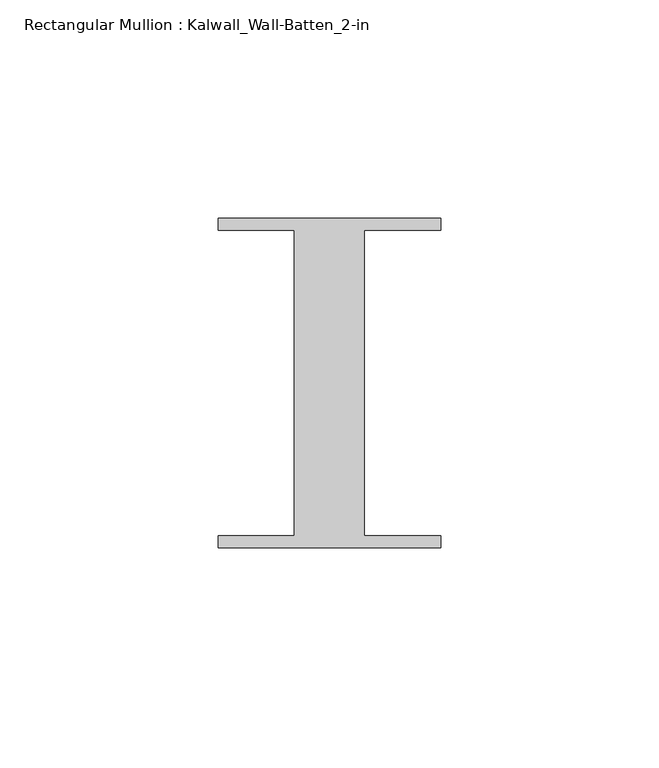
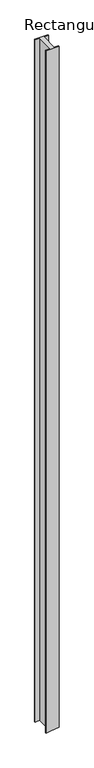
"""IFC4 building model written with IfcOpenShell, lengths in millimetres: member geometry, Rectangular Mullion : Kalwall_Wall-Batten_2-in."""

from ifc_helpers import new_model, si_unit, origin, place, context, project, spatial, faceted_brep, source, transform, mapped, element, save


def rectangular_mullion_kalwall_wall_batten_2_in_1ae46bba(model_context):
    return source(origin(), model_context, "Body", "Brep", [
        faceted_brep([(-25.5, 37.794, 0.0), (-25.5, 35.0, 0.0), (-8.0, 35.0, 0.0), (-8.0, -35.0, 0.0), (-25.5, -35.0, 0.0), (-25.5, -37.794, 0.0), (25.5, -37.794, 0.0), (25.5, -35.0, 0.0), (8.0, -35.0, 0.0), (8.0, 35.0, 0.0), (25.5, 35.0, 0.0), (25.5, 37.794, 0.0), (-25.5, 37.794, -2786.7520435), (-25.5, 35.0, -2786.7520435), (-8.0, 35.0, -2784.7465623), (-8.0, -35.0, -2784.7465623), (-25.5, -35.0, -2786.7520435), (-25.5, -37.794, -2786.7520435), (-5.7837703, -37.794, -2784.4925848), (25.5, -37.794, -2780.9074984), (25.5, -35.0, -2780.9074984), (8.0, -35.0, -2782.9129796), (8.0, 35.0, -2782.9129796), (25.5, 35.0, -2780.9074984), (25.5, 37.794, -2780.9074984), (-5.7837703, 37.794, -2784.4925848)], [[[0, 1, 2, 3, 4, 5, 6, 7, 8, 9, 10, 11]], [[1, 0, 12, 13]], [[2, 1, 13, 14]], [[3, 2, 14, 15]], [[4, 3, 15, 16]], [[5, 4, 16, 17]], [[6, 5, 17, 18, 19]], [[7, 6, 19, 20]], [[8, 7, 20, 21]], [[9, 8, 21, 22]], [[10, 9, 22, 23]], [[11, 10, 23, 24]], [[0, 11, 24, 25, 12]], [[12, 25, 18, 17, 16, 15, 14, 13]], [[25, 24, 23, 22, 21, 20, 19, 18]]]),
    ])


if __name__ == "__main__":
    model = new_model("IFC4")
    model_context = context("Model", 3, world=origin())
    ifc_project = project(units=[si_unit("LENGTHUNIT", "METRE", prefix="MILLI")], contexts=[model_context])
    site = spatial("IfcSite", under=ifc_project)
    building = spatial("IfcBuilding", under=site)
    placement = place(None, origin())
    rectangular_mullion_kalwall_wall_batten_2_in_shape = rectangular_mullion_kalwall_wall_batten_2_in_1ae46bba(model_context)
    element("IfcMember", 1, ObjectType="Rectangular Mullion : Kalwall_Wall-Batten_2-in", at=placement, inside=building, context=model_context, shape_type="MappedRepresentation", body=[
        mapped(rectangular_mullion_kalwall_wall_batten_2_in_shape, transform((0.0, 0.0, 0.0), x_axis=(1.0, 0.0, 0.0), y_axis=(0.0, 1.0, 0.0), z_axis=(0.0, 0.0, 1.0))),
    ])
    save(model, "model.ifc")
